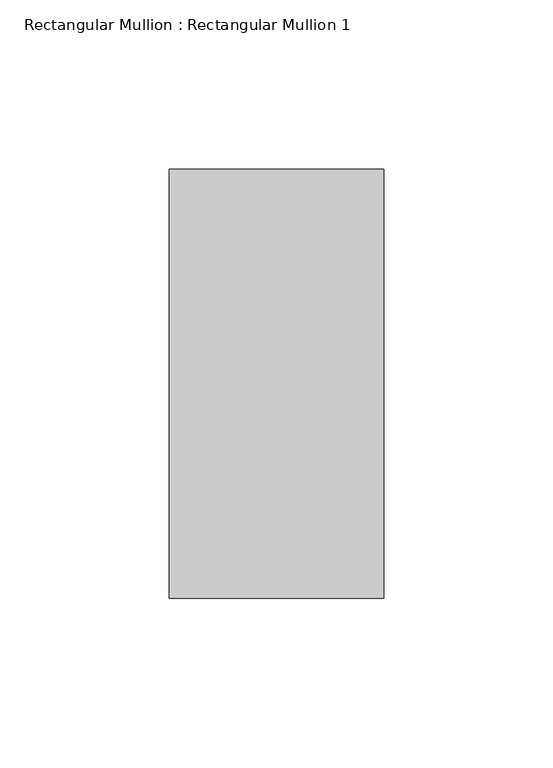
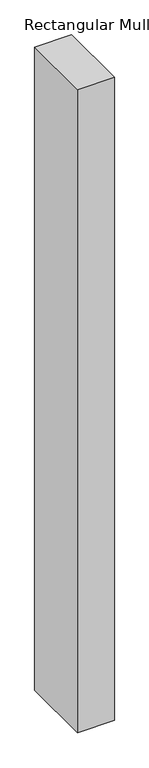
"""IFC4 building model written with IfcOpenShell, lengths in millimetres: member geometry, Rectangular Mullion : Rectangular Mullion 1."""

from ifc_helpers import new_model, si_unit, frame, origin, place, context, project, spatial, polyline, outline, extrude, source, transform, mapped, element, save


def rectangular_mullion_rectangular_mullion_1_476d3acb(model_context):
    return source(origin(), model_context, "Body", "SweptSolid", [
        extrude(outline(polyline([(0.0, 63.5), (0.0, -63.5), (-63.5, -63.5), (-63.5, 63.5), (0.0, 63.5)])), frame((0.0, 0.0, -1168.4), z_axis=(0.0, 0.0, 1.0), x_axis=(1.0, 0.0, 0.0)), (0.0, 0.0, 1.0), 1168.4),
    ])


if __name__ == "__main__":
    model = new_model("IFC4")
    model_context = context("Model", 3, world=origin())
    ifc_project = project(units=[si_unit("LENGTHUNIT", "METRE", prefix="MILLI")], contexts=[model_context])
    site = spatial("IfcSite", under=ifc_project)
    building = spatial("IfcBuilding", under=site)
    placement = place(None, origin())
    rectangular_mullion_rectangular_mullion_1_shape = rectangular_mullion_rectangular_mullion_1_476d3acb(model_context)
    element("IfcMember", 1, ObjectType="Rectangular Mullion : Rectangular Mullion 1", at=placement, inside=building, context=model_context, shape_type="MappedRepresentation", body=[
        mapped(rectangular_mullion_rectangular_mullion_1_shape, transform((0.0, 0.0, 0.0), x_axis=(1.0, 0.0, 0.0), y_axis=(0.0, 1.0, 0.0), z_axis=(0.0, 0.0, 1.0))),
    ])
    save(model, "model.ifc")
